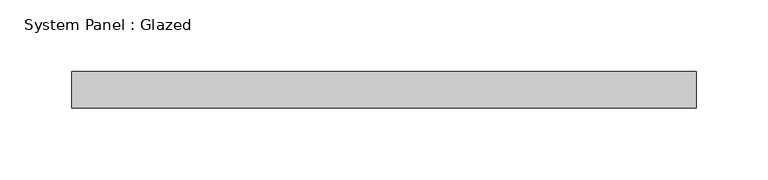
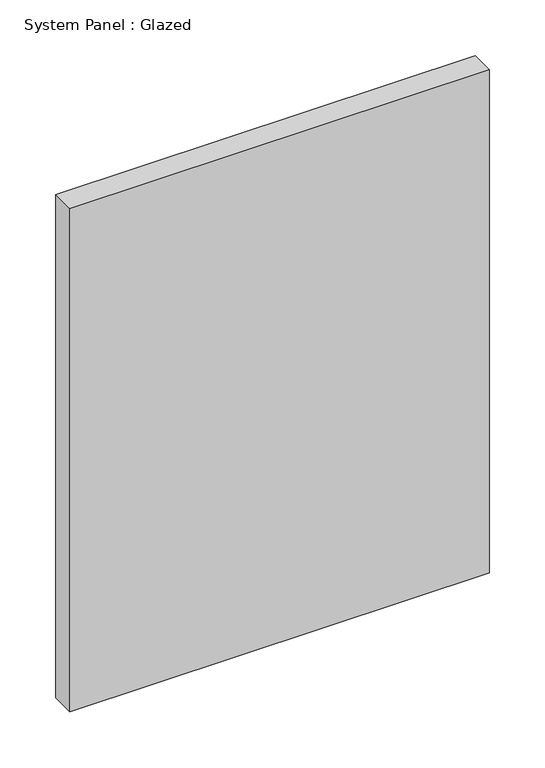
"""IFC4 building model written with IfcOpenShell, lengths in millimetres: plate geometry, System Panel : Glazed."""

from ifc_helpers import new_model, si_unit, origin, origin_with_axes, place, context, project, spatial, polyline, outline, extrude, source, transform, mapped, element, save


def system_panel_glazed_30c04c75(model_context):
    return source(origin(), model_context, "Body", "SweptSolid", [
        extrude(outline(polyline([(217.4875, -44.45), (-217.4875, -44.45), (-217.4875, -19.05), (217.4875, -19.05), (217.4875, -44.45)])), origin_with_axes(), (0.0, 0.0, 1.0), 552.45),
    ])


if __name__ == "__main__":
    model = new_model("IFC4")
    model_context = context("Model", 3, world=origin())
    ifc_project = project(units=[si_unit("LENGTHUNIT", "METRE", prefix="MILLI")], contexts=[model_context])
    site = spatial("IfcSite", under=ifc_project)
    building = spatial("IfcBuilding", under=site)
    placement = place(None, origin())
    system_panel_glazed_shape = system_panel_glazed_30c04c75(model_context)
    element("IfcPlate", 1, ObjectType="System Panel : Glazed", at=placement, inside=building, context=model_context, shape_type="MappedRepresentation", body=[
        mapped(system_panel_glazed_shape, transform((0.0, 0.0, 0.0), x_axis=(1.0, 0.0, 0.0), y_axis=(0.0, 1.0, 0.0), z_axis=(0.0, 0.0, 1.0))),
    ])
    save(model, "model.ifc")
